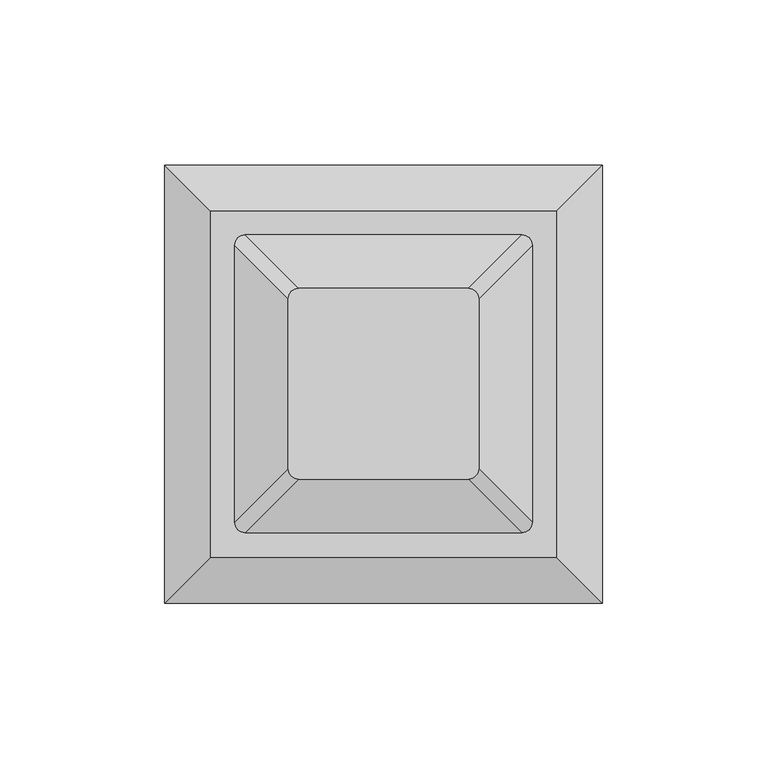
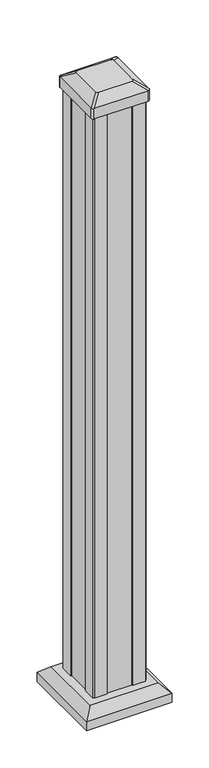
"""IFC4 building model written with IfcOpenShell, lengths in millimetres: railing geometry."""

from ifc_helpers import new_model, si_unit, point, frame, frame_2d, origin, origin_with_axes, place, context, project, spatial, polyline, circle_curve, trimmed, segment, composite_curve, outline, extrude, faceted_brep, source, transform, mapped, element, save
from ifc_brep_helpers import plane_surface, extruded_surface, advanced_brep


def railing_402dd242(model_context):
    return source(origin(), model_context, "Body", "SolidModel", [
        faceted_brep([(18461.8847497, -47496.1523515, 28.575), (18461.8847497, -47390.9804765, 28.575), (18356.7128747, -47390.9804765, 28.575), (18356.7128747, -47496.1523515, 28.575), (18475.9242028, -47510.1918046, 15.24), (18342.6734216, -47510.1918046, 15.24), (18342.6734216, -47376.9410234, 15.24), (18475.9242028, -47376.9410234, 15.24)], [[[0, 1, 2, 3]], [[4, 5, 6, 7]], [[4, 7, 1, 0]], [[7, 6, 2, 1]], [[6, 5, 3, 2]], [[5, 4, 0, 3]]]),
        extrude(outline(polyline([(18475.9242028, -47510.1918046), (18342.6734216, -47510.1918046), (18342.6734216, -47376.9410234), (18475.9242028, -47376.9410234), (18475.9242028, -47510.1918046)])), origin_with_axes(), (0.0, 0.0, 1.0), 15.24),
        advanced_brep(
        [(18438.2706872, -47417.769539, 1012.825), (18435.0956872, -47414.594539, 1012.825), (18383.5019372, -47414.594539, 1012.825), (18380.3269372, -47417.769539, 1012.825), (18380.3269372, -47469.363289, 1012.825), (18383.5019372, -47472.538289, 1012.825), (18435.0956872, -47472.538289, 1012.825), (18438.2706872, -47469.363289, 1012.825), (18454.5425622, -47401.497664, 1001.522), (18454.5425622, -47485.635164, 1001.522), (18451.3675622, -47488.810164, 1001.522), (18367.2300622, -47488.810164, 1001.522), (18364.0550622, -47485.635164, 1001.522), (18364.0550622, -47401.497664, 1001.522), (18367.2300622, -47398.322664, 1001.522), (18451.3675622, -47398.322664, 1001.522)],
        [
            (0, 1, circle_curve(frame((18435.0956872, -47417.769539, 1012.825), z_axis=(0.0, 0.0, 1.0), x_axis=(-1.0, 0.0, 0.0)), 3.175)),
            (1, 2),
            (2, 3, circle_curve(frame((18383.5019372, -47417.769539, 1012.825), z_axis=(0.0, 0.0, 1.0), x_axis=(-1.0, 0.0, 0.0)), 3.175)),
            (3, 4),
            (4, 5, circle_curve(frame((18383.5019372, -47469.363289, 1012.825), z_axis=(0.0, 0.0, 1.0), x_axis=(-1.0, 0.0, 0.0)), 3.175)),
            (5, 6),
            (6, 7, circle_curve(frame((18435.0956872, -47469.363289, 1012.825), z_axis=(0.0, 0.0, 1.0), x_axis=(-1.0, 0.0, 0.0)), 3.175)),
            (7, 0),
            (8, 9),
            (9, 10, circle_curve(frame((18451.3675622, -47485.635164, 1001.522), z_axis=(0.0, 0.0, -1.0), x_axis=(-1.0, 0.0, 0.0)), 3.175)),
            (10, 11),
            (11, 12, circle_curve(frame((18367.2300622, -47485.635164, 1001.522), z_axis=(0.0, 0.0, -1.0), x_axis=(-1.0, 0.0, 0.0)), 3.175)),
            (12, 13),
            (13, 14, circle_curve(frame((18367.2300622, -47401.497664, 1001.522), z_axis=(0.0, 0.0, -1.0), x_axis=(-1.0, 0.0, 0.0)), 3.175)),
            (14, 15),
            (15, 8, circle_curve(frame((18451.3675622, -47401.497664, 1001.522), z_axis=(0.0, 0.0, -1.0), x_axis=(-1.0, 0.0, 0.0)), 3.175)),
            (15, 1),
            (0, 8),
            (14, 2),
            (13, 3),
            (12, 4),
            (11, 5),
            (10, 6),
            (9, 7),
        ],
        [
            plane_surface(frame((18409.2988122, -47443.566414, 1012.825), z_axis=(0.0, 0.0, 1.0), x_axis=(0.0, 1.0, 0.0))),
            plane_surface(frame((18409.2988122, -47443.566414, 1001.522), z_axis=(0.0, 0.0, -1.0), x_axis=(0.0, 1.0, 0.0))),
            extruded_surface(trimmed(circle_curve(frame((18451.3675622, -47401.497664, 1001.522), z_axis=(0.0, 0.0, 1.0), x_axis=(-1.0, 0.0, 0.0)), 3.175), [point((18454.5425622, -47401.497664, 1001.522))], [point((18451.3675622, -47398.322664, 1001.522))], True, "CARTESIAN"), (-16.271875000002183, -16.271874999998545, 11.302999999999997), 25.63797263886662),
            plane_surface(frame((18409.2988122, -47398.322664, 1001.522), z_axis=(0.0, 0.5705009161540779, 0.8212969649690408), x_axis=(-1.0, 0.0, 0.0))),
            extruded_surface(trimmed(circle_curve(frame((18367.2300622, -47401.497664, 1001.522), z_axis=(0.0, 0.0, 1.0), x_axis=(-1.0, 0.0, 0.0)), 3.175), [point((18367.2300622, -47398.322664, 1001.522))], [point((18364.0550622, -47401.497664, 1001.522))], True, "CARTESIAN"), (16.271874999998545, -16.271874999998545, 11.302999999999997), 25.637972638864316),
            plane_surface(frame((18364.0550622, -47443.566414, 1001.522), z_axis=(-0.5705009161540291, 0.0, 0.8212969649690747), x_axis=(0.0, -1.0, 0.0))),
            extruded_surface(trimmed(circle_curve(frame((18367.2300622, -47485.635164, 1001.522), z_axis=(0.0, 0.0, 1.0), x_axis=(-1.0, 0.0, 0.0)), 3.175), [point((18364.0550622, -47485.635164, 1001.522))], [point((18367.2300622, -47488.810164, 1001.522))], True, "CARTESIAN"), (16.271874999998545, 16.271874999998545, 11.302999999999997), 25.637972638864316),
            plane_surface(frame((18409.2988122, -47488.810164, 1001.522), z_axis=(0.0, -0.5705009161540141, 0.8212969649690851), x_axis=(1.0, 0.0, 0.0))),
            extruded_surface(trimmed(circle_curve(frame((18451.3675622, -47485.635164, 1001.522), z_axis=(0.0, 0.0, 1.0), x_axis=(-1.0, 0.0, 0.0)), 3.175), [point((18451.3675622, -47488.810164, 1001.522))], [point((18454.5425622, -47485.635164, 1001.522))], True, "CARTESIAN"), (-16.271875000002183, 16.271874999998545, 11.302999999999997), 25.63797263886662),
            plane_surface(frame((18454.5425622, -47443.566414, 1001.522), z_axis=(0.570500916154034, 0.0, 0.8212969649690713), x_axis=(0.0, 1.0, 0.0))),
        ],
        [
            (0, [[1, 2, 3, 4, 5, 6, 7, 8]]),
            (1, [[9, 10, 11, 12, 13, 14, 15, 16]]),
            (2, [[-16, 17, -1, 18]]),
            (3, [[-15, 19, -2, -17]]),
            (4, [[-14, 20, -3, -19]]),
            (5, [[-13, 21, -4, -20]]),
            (6, [[-12, 22, -5, -21]]),
            (7, [[-11, 23, -6, -22]]),
            (8, [[-10, 24, -7, -23]]),
            (9, [[-9, -18, -8, -24]]),
        ],
    ),
        extrude(outline(composite_curve([segment(polyline([(18454.5425622, -47401.497664), (18454.5425622, -47485.635164)]), True, "CONTINUOUS"), segment(trimmed(circle_curve(frame_2d((18451.3675622, -47485.635164)), 3.175), [point((18454.5425622, -47485.635164))], [point((18451.3675622, -47488.810164))], False, "CARTESIAN"), True, "CONTINUOUS"), segment(polyline([(18451.3675622, -47488.810164), (18367.2300622, -47488.810164)]), True, "CONTINUOUS"), segment(trimmed(circle_curve(frame_2d((18367.2300622, -47485.635164)), 3.175), [point((18367.2300622, -47488.810164))], [point((18364.0550622, -47485.635164))], False, "CARTESIAN"), True, "CONTINUOUS"), segment(polyline([(18364.0550622, -47485.635164), (18364.0550622, -47401.497664)]), True, "CONTINUOUS"), segment(trimmed(circle_curve(frame_2d((18367.2300622, -47401.497664)), 3.175), [point((18364.0550622, -47401.497664))], [point((18367.2300622, -47398.322664))], False, "CARTESIAN"), True, "CONTINUOUS"), segment(polyline([(18367.2300622, -47398.322664), (18451.3675622, -47398.322664)]), True, "CONTINUOUS"), segment(trimmed(circle_curve(frame_2d((18451.3675622, -47401.497664)), 3.175), [point((18451.3675622, -47398.322664))], [point((18454.5425622, -47401.497664))], False, "CARTESIAN"), True, "CONTINUOUS")], self_intersect=False)), frame((0.0, 0.0, 984.25), z_axis=(0.0, 0.0, 1.0), x_axis=(1.0, 0.0, 0.0)), (0.0, 0.0, 1.0), 17.272),
        extrude(outline(polyline([(18450.5738122, -47403.878914), (18450.5738122, -47423.500414), (18448.9863122, -47424.262414), (18448.9863122, -47462.870414), (18450.5738122, -47463.632414), (18450.5738122, -47483.253914), (18448.9863122, -47484.841414), (18429.3648122, -47484.841414), (18428.6028122, -47483.253914), (18389.9948122, -47483.253914), (18389.2328122, -47484.841414), (18369.6113122, -47484.841414), (18368.0238122, -47483.253914), (18368.0238122, -47463.632414), (18369.6113122, -47462.870414), (18369.6113122, -47424.262414), (18368.0238122, -47423.500414), (18368.0238122, -47403.878914), (18369.6113122, -47402.291414), (18389.2328122, -47402.291414), (18389.9948122, -47403.878914), (18428.6028122, -47403.878914), (18429.3648122, -47402.291414), (18448.9863122, -47402.291414), (18450.5738122, -47403.878914)])), origin_with_axes(), (0.0, 0.0, 1.0), 984.25),
    ])


if __name__ == "__main__":
    model = new_model("IFC4")
    model_context = context("Model", 3, world=origin())
    ifc_project = project(units=[si_unit("LENGTHUNIT", "METRE", prefix="MILLI")], contexts=[model_context])
    site = spatial("IfcSite", under=ifc_project)
    building = spatial("IfcBuilding", under=site)
    placement = place(None, origin())
    railing_shape = railing_402dd242(model_context)
    element("IfcRailing", 1, at=placement, inside=building, context=model_context, shape_type="MappedRepresentation", body=[
        mapped(railing_shape, transform((0.0, 0.0, 0.0), x_axis=(1.0, 0.0, 0.0), y_axis=(0.0, 1.0, 0.0), z_axis=(0.0, 0.0, 1.0))),
    ])
    save(model, "model.ifc")
